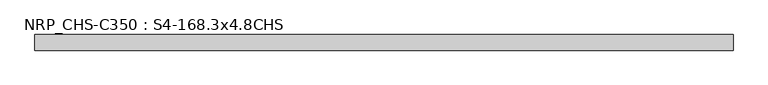
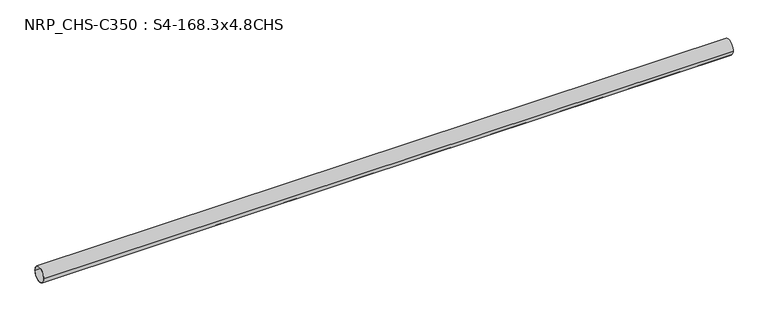
"""IFC4 building model written with IfcOpenShell, lengths in millimetres: beam geometry, NRP_CHS-C350 : S4-168.3x4.8CHS."""

from ifc_helpers import new_model, si_unit, point, frame, origin, origin_2d, place, context, project, spatial, circle_curve, trimmed, segment, composite_curve, outline, extrude, source, transform, mapped, element, save


def nrp_chs_c350_s4_168_3x4_8chs_ebdaa1f8(model_context):
    return source(origin(), model_context, "Body", "SweptSolid", [
        extrude(outline(composite_curve([segment(trimmed(circle_curve(origin_2d(), 84.15), [point((84.15, 0.0))], [point((-84.15, 0.0))], False, "CARTESIAN"), True, "CONTINUOUS"), segment(trimmed(circle_curve(origin_2d(), 84.15), [point((-84.15, 0.0))], [point((84.15, 0.0))], False, "CARTESIAN"), True, "CONTINUOUS")], self_intersect=False), holes=[composite_curve([segment(trimmed(circle_curve(origin_2d(), 79.35), [point((-79.35, 0.0))], [point((79.35, 0.0))], True, "CARTESIAN"), True, "CONTINUOUS"), segment(trimmed(circle_curve(origin_2d(), 79.35), [point((79.35, 0.0))], [point((-79.35, 0.0))], True, "CARTESIAN"), True, "CONTINUOUS")], self_intersect=False)]), frame((-3765.1, 0.0, 0.0), z_axis=(1.0, 0.0, 0.0), x_axis=(0.0, 1.0, 0.0)), (0.0, 0.0, 1.0), 7530.2),
    ])


if __name__ == "__main__":
    model = new_model("IFC4")
    model_context = context("Model", 3, world=origin())
    ifc_project = project(units=[si_unit("LENGTHUNIT", "METRE", prefix="MILLI")], contexts=[model_context])
    site = spatial("IfcSite", under=ifc_project)
    building = spatial("IfcBuilding", under=site)
    placement = place(None, origin())
    nrp_chs_c350_s4_168_3x4_8chs_shape = nrp_chs_c350_s4_168_3x4_8chs_ebdaa1f8(model_context)
    element("IfcBeam", 1, ObjectType="NRP_CHS-C350 : S4-168.3x4.8CHS", at=placement, inside=building, context=model_context, shape_type="MappedRepresentation", body=[
        mapped(nrp_chs_c350_s4_168_3x4_8chs_shape, transform((0.0, 0.0, 0.0), x_axis=(1.0, 0.0, 0.0), y_axis=(0.0, 1.0, 0.0), z_axis=(0.0, 0.0, 1.0))),
    ])
    save(model, "model.ifc")
